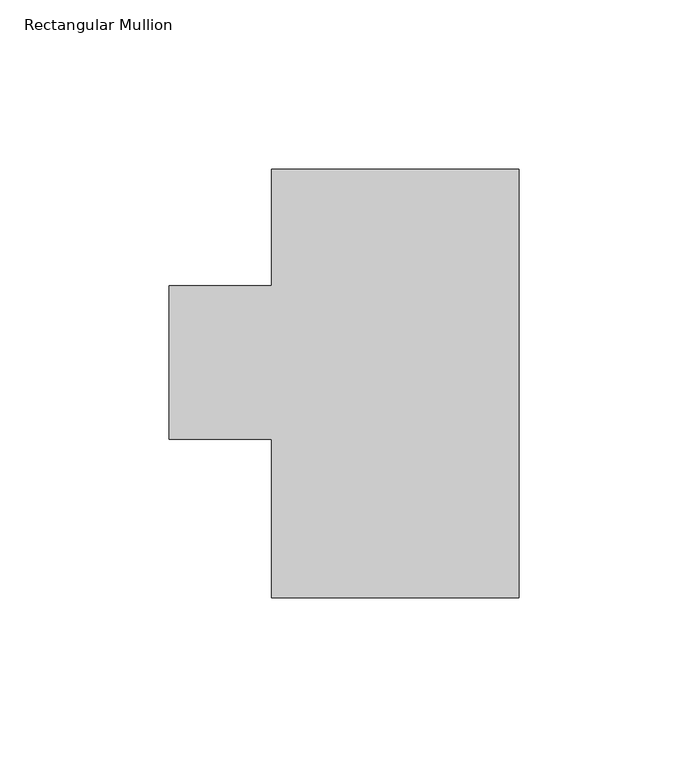
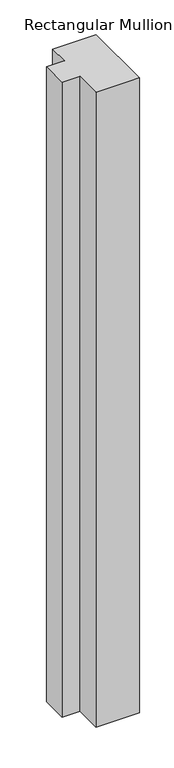
"""IFC4 building model written with IfcOpenShell, lengths in millimetres: member geometry, Rectangular Mullion."""

from ifc_helpers import new_model, si_unit, frame, origin, place, context, project, spatial, polyline, outline, extrude, source, transform, mapped, element, save


def rectangular_mullion_5a664ab0(model_context):
    return source(origin(), model_context, "Body", "SweptSolid", [
        extrude(outline(polyline([(-73.025, 124.5750938), (0.0, 124.5750938), (0.0, -1.9169062), (-73.025, -1.9169062), (-73.025, 44.9460937), (-103.2002, 44.9460937), (-103.2002, 90.2088937), (-73.025, 90.2088937), (-73.025, 124.5750938)])), frame((0.0, 0.0, -1130.3005426), z_axis=(0.0, 0.0, 1.0), x_axis=(1.0, 0.0, 0.0)), (0.0, 0.0, 1.0), 1130.3005426),
    ])


if __name__ == "__main__":
    model = new_model("IFC4")
    model_context = context("Model", 3, world=origin())
    ifc_project = project(units=[si_unit("LENGTHUNIT", "METRE", prefix="MILLI")], contexts=[model_context])
    site = spatial("IfcSite", under=ifc_project)
    building = spatial("IfcBuilding", under=site)
    placement = place(None, origin())
    rectangular_mullion_shape = rectangular_mullion_5a664ab0(model_context)
    element("IfcMember", 1, ObjectType="Rectangular Mullion", at=placement, inside=building, context=model_context, shape_type="MappedRepresentation", body=[
        mapped(rectangular_mullion_shape, transform((0.0, 0.0, 0.0), x_axis=(1.0, 0.0, 0.0), y_axis=(0.0, 1.0, 0.0), z_axis=(0.0, 0.0, 1.0))),
    ])
    save(model, "model.ifc")
